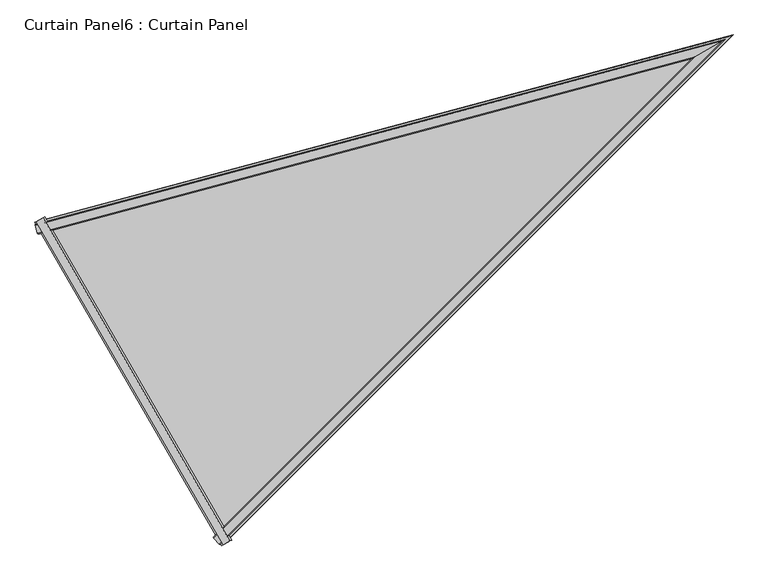
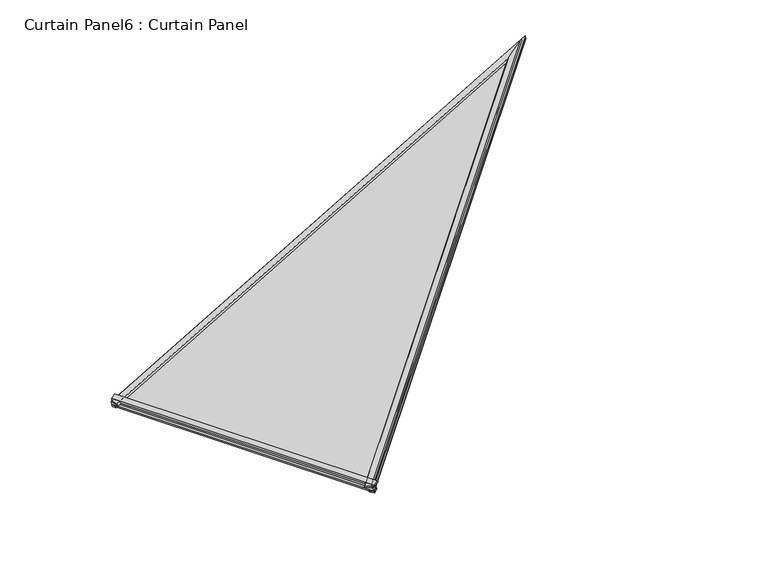
"""IFC4 building model written with IfcOpenShell, lengths in millimetres: plate geometry, Curtain Panel6 : Curtain Panel."""

from ifc_helpers import new_model, si_unit, frame, origin, place, context, project, spatial, polyline, outline, extrude, faceted_brep, source, transform, mapped, element, save


def curtain_panel6_curtain_panel_d2b3331e(model_context):
    return source(origin(), model_context, "Body", "SolidModel", [
        extrude(outline(polyline([(4.7128907, 0.0438807), (-2.7582055, 2.0885312), (0.2418815, 12.9040495), (4.7128906, 13.7874155), (4.7128907, 0.0438807)])), frame((-13278.6583956, -14758.3235058, 3557.6354619), z_axis=(-0.5000000000000027, 0.8660254037844372, 0.0), x_axis=(-0.23149479148832844, -0.1336535801817839, 0.96361137499428)), (0.0, 0.0, 1.0), 756.4466464),
        extrude(outline(polyline([(17.5121094, 3.8770065), (17.5121094, 24.3987988), (22.7893374, 21.7071784), (22.6437512, 5.1352332), (17.5121094, 3.8770065)])), frame((-13278.6583956, -14758.3235058, 3557.6354619), z_axis=(-0.5000000000000027, 0.8660254037844372, 0.0), x_axis=(-0.23149479148832844, -0.1336535801817839, 0.96361137499428)), (0.0, 0.0, 1.0), 756.4466464),
        faceted_brep([(-13279.7494065, -14758.9534018, 3562.1768565), (-13289.2699821, -14749.0842552, 3561.2585227), (-13287.6680582, -14749.1200231, 3557.1254065), (-13279.5337848, -14757.2547484, 3557.1253208), (-13657.9733492, -14103.8516464, 3562.176672), (-13656.3944614, -14104.5142392, 3557.1251364), (-13653.4167193, -14115.6260893, 3557.125222), (-13654.1867054, -14117.03128, 3561.2583382), (-12246.2786008, -13725.5441315, 3953.7890429), (-12292.1602985, -13752.033942, 3939.092421), (-12288.285158, -13749.7966286, 3935.8206928), (-12249.7880161, -13727.5702934, 3947.3259823)], [[[0, 1, 2, 3]], [[4, 5, 6, 7]], [[1, 0, 8, 4, 7, 9]], [[2, 1, 9, 10]], [[3, 2, 10, 11]], [[0, 3, 11, 8]], [[10, 9, 7, 6]], [[11, 10, 6, 5]], [[8, 11, 5, 4]]]),
        faceted_brep([(-13285.367685, -14757.9115194, 3574.2542023), (-13287.4158818, -14757.6950581, 3579.0882155), (-13298.9442791, -14745.7990429, 3578.1199354), (-13299.583771, -14743.1749485, 3572.8829499), (-13659.8801919, -14109.2381595, 3574.2540179), (-13654.2259901, -14128.9179365, 3572.8827655), (-13656.1787766, -14127.0520732, 3578.119751), (-13660.7168292, -14111.1201806, 3579.088031), (-12262.0381391, -13734.6429052, 3962.0235701), (-12267.3968443, -13737.7367551, 3965.6031351), (-12322.825784, -13769.7386684, 3947.9996611), (-12330.5485098, -13774.1973862, 3940.078632)], [[[0, 1, 2, 3]], [[4, 5, 6, 7]], [[1, 0, 8, 9]], [[2, 1, 9, 10]], [[3, 2, 10, 11]], [[0, 3, 11, 5, 4, 8]], [[9, 8, 4, 7]], [[10, 9, 7, 6]], [[11, 10, 6, 5]]]),
        extrude(outline(polyline([(-15.4387582, -1e-07), (-204.5292832, -732.4316781), (-1528.5007943, 0.0), (-15.4387582, -1e-07)])), frame((-13290.2945815, -14769.4979489, 3558.1809825), z_axis=(-0.23149479148832847, -0.1336535801817839, 0.96361137499428), x_axis=(-0.6830326713642993, -0.682992001867952, -0.2588209713940439)), (0.0, 0.0, 1.0), 12.7992188),
    ])


if __name__ == "__main__":
    model = new_model("IFC4")
    model_context = context("Model", 3, world=origin())
    ifc_project = project(units=[si_unit("LENGTHUNIT", "METRE", prefix="MILLI")], contexts=[model_context])
    site = spatial("IfcSite", under=ifc_project)
    building = spatial("IfcBuilding", under=site)
    placement = place(None, origin())
    curtain_panel6_curtain_panel_shape = curtain_panel6_curtain_panel_d2b3331e(model_context)
    element("IfcPlate", 1, ObjectType="Curtain Panel6 : Curtain Panel", at=placement, inside=building, context=model_context, shape_type="MappedRepresentation", body=[
        mapped(curtain_panel6_curtain_panel_shape, transform((0.0, 0.0, 0.0), x_axis=(1.0, 0.0, 0.0), y_axis=(0.0, 1.0, 0.0), z_axis=(0.0, 0.0, 1.0))),
    ])
    save(model, "model.ifc")
